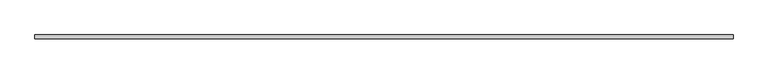
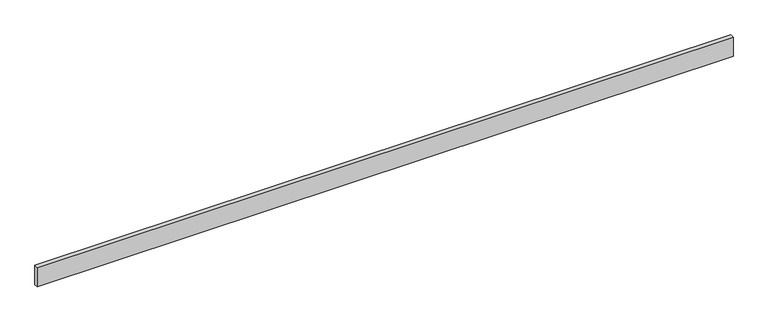
"""IFC4 building model written with IfcOpenShell, lengths in millimetres: beam geometry."""

from ifc_helpers import new_model, si_unit, frame, origin, place, context, project, spatial, polyline, outline, extrude, source, transform, mapped, element, save


def beam_a668417c(model_context):
    return source(origin(), model_context, "Body", "SweptSolid", [
        extrude(outline(polyline([(3415.25, -18.0), (-3415.25, -18.0), (-3415.25, 18.0), (3415.25, 18.0), (3415.25, -18.0)])), frame((0.0, 0.0, -100.0), z_axis=(0.0, 0.0, 1.0), x_axis=(1.0, 0.0, 0.0)), (0.0, 0.0, 1.0), 200.0),
    ])


if __name__ == "__main__":
    model = new_model("IFC4")
    model_context = context("Model", 3, world=origin())
    ifc_project = project(units=[si_unit("LENGTHUNIT", "METRE", prefix="MILLI")], contexts=[model_context])
    site = spatial("IfcSite", under=ifc_project)
    building = spatial("IfcBuilding", under=site)
    placement = place(None, origin())
    beam_shape = beam_a668417c(model_context)
    element("IfcBeam", 1, at=placement, inside=building, context=model_context, shape_type="MappedRepresentation", body=[
        mapped(beam_shape, transform((0.0, 0.0, 0.0), x_axis=(1.0, 0.0, 0.0), y_axis=(0.0, 1.0, 0.0), z_axis=(0.0, 0.0, 1.0))),
    ])
    save(model, "model.ifc")
